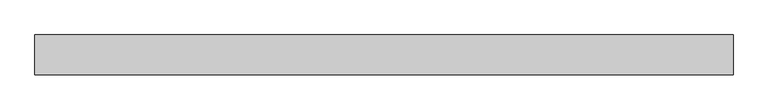
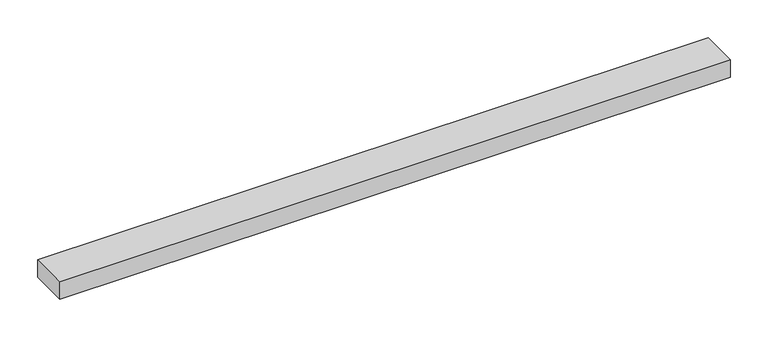
"""IFC4 building model written with IfcOpenShell, lengths in millimetres: proxy geometry."""

from ifc_helpers import new_model, si_unit, frame, origin, place, context, project, spatial, polyline, outline, extrude, source, transform, mapped, element, save


def specialty_equipment_01e4f5c6(model_context):
    return source(origin(), model_context, "Body", "SweptSolid", [
        extrude(outline(polyline([(-511.3561264, 29.2199219), (511.3561264, 29.2199219), (511.3561264, -29.2199219), (-511.3561264, -29.2199219), (-511.3561264, 29.2199219)])), frame((0.0, 0.0, -13.9898438), z_axis=(0.0, 0.0, 1.0), x_axis=(1.0, 0.0, 0.0)), (0.0, 0.0, 1.0), 27.9796875),
    ])


if __name__ == "__main__":
    model = new_model("IFC4")
    model_context = context("Model", 3, world=origin())
    ifc_project = project(units=[si_unit("LENGTHUNIT", "METRE", prefix="MILLI")], contexts=[model_context])
    site = spatial("IfcSite", under=ifc_project)
    building = spatial("IfcBuilding", under=site)
    placement = place(None, origin())
    specialty_equipment_shape = specialty_equipment_01e4f5c6(model_context)
    element("IfcBuildingElementProxy", 1, Name="Specialty Equipment", at=placement, inside=building, context=model_context, shape_type="MappedRepresentation", body=[
        mapped(specialty_equipment_shape, transform((0.0, 0.0, 0.0), x_axis=(1.0, 0.0, 0.0), y_axis=(0.0, 1.0, 0.0), z_axis=(0.0, 0.0, 1.0))),
    ])
    save(model, "model.ifc")
